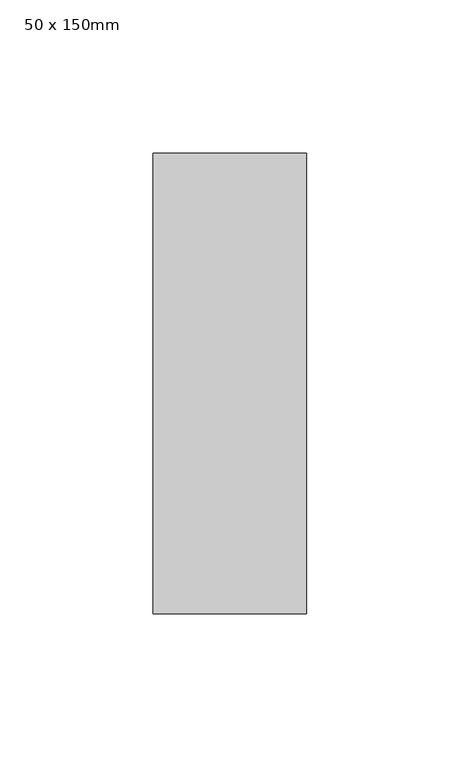
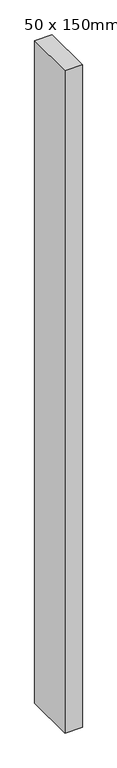
"""IFC4 building model written with IfcOpenShell, lengths in millimetres: member geometry, 50 x 150mm."""

from ifc_helpers import new_model, si_unit, frame, origin, place, context, project, spatial, polyline, outline, extrude, source, transform, mapped, element, save


def member_50_x_150mm_18dfa502(model_context):
    return source(origin(), model_context, "Body", "SweptSolid", [
        extrude(outline(polyline([(0.0, 75.0), (0.0, -75.0), (-50.0, -75.0), (-50.0, 75.0), (0.0, 75.0)])), frame((0.0, 0.0, -2006.4459963), z_axis=(0.0, 0.0, 1.0), x_axis=(1.0, 0.0, 0.0)), (0.0, 0.0, 1.0), 2006.4459963),
    ])


if __name__ == "__main__":
    model = new_model("IFC4")
    model_context = context("Model", 3, world=origin())
    ifc_project = project(units=[si_unit("LENGTHUNIT", "METRE", prefix="MILLI")], contexts=[model_context])
    site = spatial("IfcSite", under=ifc_project)
    building = spatial("IfcBuilding", under=site)
    placement = place(None, origin())
    member_50_x_150mm_shape = member_50_x_150mm_18dfa502(model_context)
    element("IfcMember", 1, ObjectType="50 x 150mm", at=placement, inside=building, context=model_context, shape_type="MappedRepresentation", body=[
        mapped(member_50_x_150mm_shape, transform((0.0, 0.0, 0.0), x_axis=(1.0, 0.0, 0.0), y_axis=(0.0, 1.0, 0.0), z_axis=(0.0, 0.0, 1.0))),
    ])
    save(model, "model.ifc")
